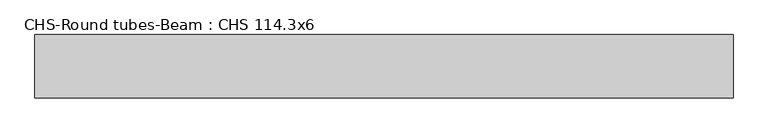
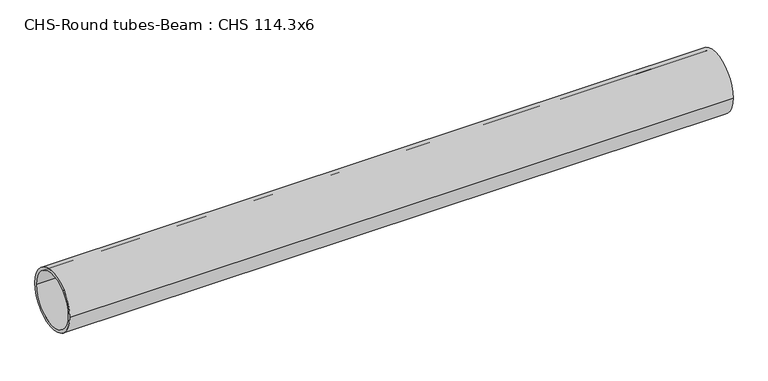
"""IFC4 building model written with IfcOpenShell, lengths in millimetres: beam geometry, CHS-Round tubes-Beam : CHS 114.3x6."""

from ifc_helpers import new_model, si_unit, point, frame, origin, origin_2d, place, context, project, spatial, circle_curve, trimmed, segment, composite_curve, outline, extrude, source, transform, mapped, element, save


def chs_round_tubes_beam_chs_114_3x6_b1a36aea(model_context):
    return source(origin(), model_context, "Body", "SweptSolid", [
        extrude(outline(composite_curve([segment(trimmed(circle_curve(origin_2d(), 57.15), [point((57.15, 0.0))], [point((-57.15, 0.0))], False, "CARTESIAN"), True, "CONTINUOUS"), segment(trimmed(circle_curve(origin_2d(), 57.15), [point((-57.15, 0.0))], [point((57.15, 0.0))], False, "CARTESIAN"), True, "CONTINUOUS")], self_intersect=False), holes=[composite_curve([segment(trimmed(circle_curve(origin_2d(), 51.15), [point((51.15, 0.0))], [point((-51.15, 0.0))], True, "CARTESIAN"), True, "CONTINUOUS"), segment(trimmed(circle_curve(origin_2d(), 51.15), [point((-51.15, 0.0))], [point((51.15, 0.0))], True, "CARTESIAN"), True, "CONTINUOUS")], self_intersect=False)]), frame((-627.6392756, 0.0, 0.0), z_axis=(1.0, 0.0, 0.0), x_axis=(0.0, 1.0, 0.0)), (0.0, 0.0, 1.0), 1255.2781422),
    ])


if __name__ == "__main__":
    model = new_model("IFC4")
    model_context = context("Model", 3, world=origin())
    ifc_project = project(units=[si_unit("LENGTHUNIT", "METRE", prefix="MILLI")], contexts=[model_context])
    site = spatial("IfcSite", under=ifc_project)
    building = spatial("IfcBuilding", under=site)
    placement = place(None, origin())
    chs_round_tubes_beam_chs_114_3x6_shape = chs_round_tubes_beam_chs_114_3x6_b1a36aea(model_context)
    element("IfcBeam", 1, ObjectType="CHS-Round tubes-Beam : CHS 114.3x6", at=placement, inside=building, context=model_context, shape_type="MappedRepresentation", body=[
        mapped(chs_round_tubes_beam_chs_114_3x6_shape, transform((0.0, 0.0, 0.0), x_axis=(1.0, 0.0, 0.0), y_axis=(0.0, 1.0, 0.0), z_axis=(0.0, 0.0, 1.0))),
    ])
    save(model, "model.ifc")
